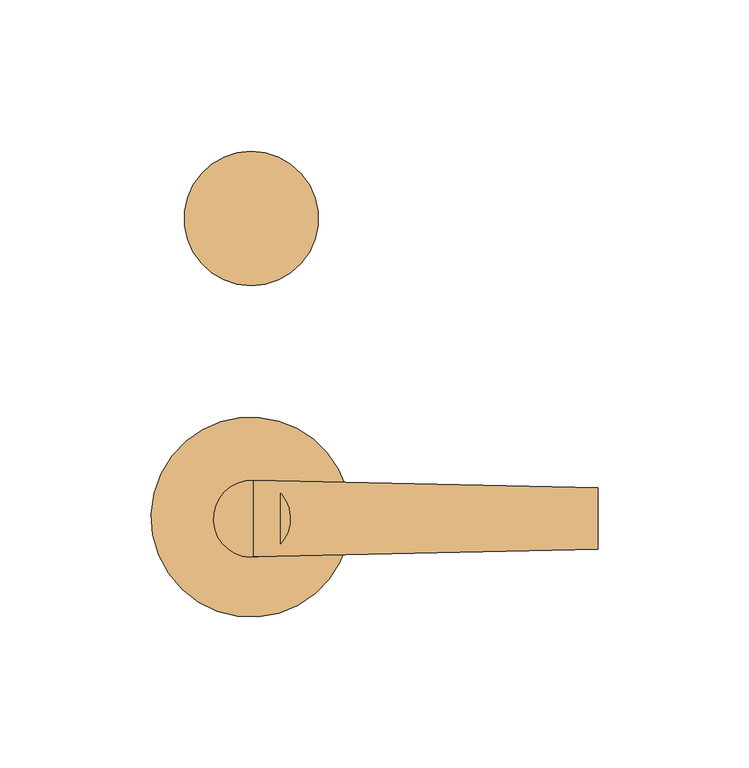
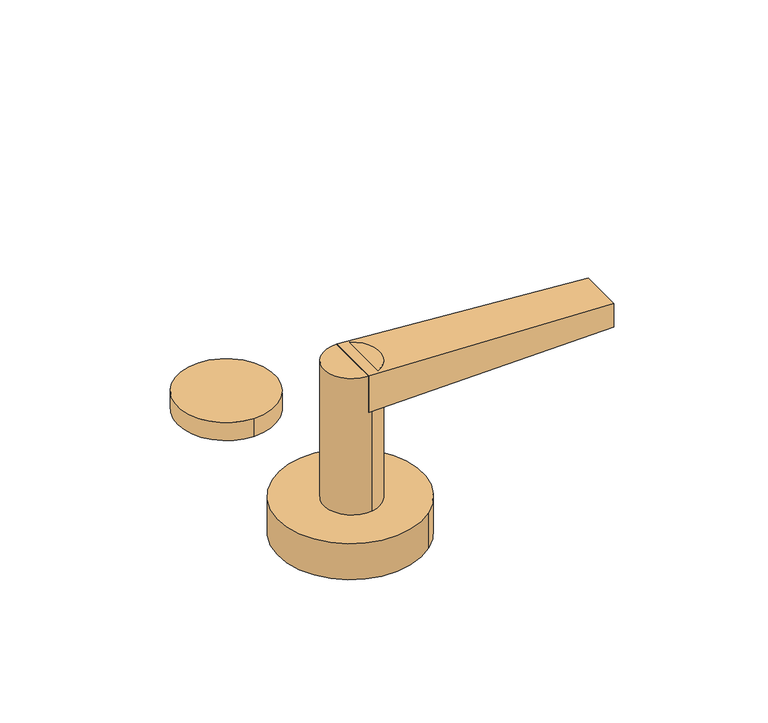
"""IFC4 building model written with IfcOpenShell, lengths in millimetres: door geometry."""

from ifc_helpers import new_model, si_unit, point, frame, frame_2d, origin, origin_with_axes, place, context, project, spatial, circle_curve, trimmed, segment, composite_curve, outline, extrude, source, transform, mapped, element, save
from ifc_brep_helpers import plane_surface, spline_surface, advanced_brep


def door_e5c2c9b1(model_context):
    return source(origin(), model_context, "Body", "SolidModel", [
        extrude(outline(composite_curve([segment(trimmed(circle_curve(frame_2d((-1.5048449, 99.4936932)), 22.212872), [point((-1.5048449, 121.7065651))], [point((-1.5048449, 77.2808212))], False, "CARTESIAN"), True, "CONTINUOUS"), segment(trimmed(circle_curve(frame_2d((-1.5048449, 99.4936932)), 22.212872), [point((-1.5048449, 77.2808212))], [point((-1.5048449, 121.7065651))], False, "CARTESIAN"), True, "CONTINUOUS")], self_intersect=False)), origin_with_axes(), (0.0, 0.0, 1.0), 8.636),
        advanced_brep(
        [(113.0826159, -9.8661661, 77.089), (113.0826159, -9.8661661, 65.659), (113.0826159, 10.4783486, 65.659), (113.0826159, 10.4783486, 77.089), (-0.79375, -12.3783123, 83.439), (-0.79375, 13.0118705, 83.439), (-0.79375, 13.0089229, 65.659), (-0.79375, -12.378509, 65.659)],
        [
            (0, 1),
            (1, 2),
            (2, 3),
            (3, 0),
            (4, 5),
            (5, 6),
            (6, 7),
            (7, 4),
            (7, 1),
            (0, 4),
            (6, 2),
            (5, 3),
        ],
        [
            plane_surface(frame((113.0826159, 0.3060912, 71.374), z_axis=(1.0, 0.0, 0.0), x_axis=(0.0, -1.0, 0.0))),
            plane_surface(frame((-0.79375, 0.315993, 74.549), z_axis=(-1.0000000000000002, 0.0, 0.0), x_axis=(0.0, -1.1064247386625775e-05, -0.9999999999387913))),
            spline_surface(1, 1, [[(-0.79375, -12.3783123, 83.439), (113.0826159, -9.8661661, 77.089)], [(-0.79375, -12.378509, 65.659), (113.0826159, -9.8661661, 65.659)]], [2, 2], [2, 2], [0.0, 1.0], [0.0, 1.0]),
            plane_surface(frame((-0.79375, 0.315207, 65.659), z_axis=(0.0, 0.0, -1.0), x_axis=(0.0, 1.0, 0.0))),
            spline_surface(1, 1, [[(-0.79375, 13.0089229, 65.659), (113.0826159, 10.4783486, 65.659)], [(-0.79375, 13.0118705, 83.439), (113.0826159, 10.4783486, 77.089)]], [2, 2], [2, 2], [0.0, 1.0], [0.0, 1.0]),
            plane_surface(frame((-0.79375, 0.3167791, 83.439), z_axis=(0.05567573642750613, 0.0, 0.9984489032360419), x_axis=(0.0, -1.0, 0.0))),
        ],
        [
            (0, [[1, 2, 3, 4]]),
            (1, [[5, 6, 7, 8]]),
            (2, [[-8, 9, -1, 10]]),
            (3, [[-7, 11, -2, -9]]),
            (4, [[-6, 12, -3, -11]]),
            (5, [[-5, -10, -4, -12]]),
        ],
    ),
        extrude(outline(composite_curve([segment(trimmed(circle_curve(frame_2d((-1.3064074, 0.1984375)), 12.7), [point((-3.427265, 12.7200973))], [point((0.8144502, -12.3232223))], False, "CARTESIAN"), True, "CONTINUOUS"), segment(trimmed(circle_curve(frame_2d((-1.3064074, 0.1984375)), 12.7), [point((0.8144502, -12.3232223))], [point((-3.427265, 12.7200973))], False, "CARTESIAN"), True, "CONTINUOUS")], self_intersect=False)), frame((0.0, 0.0, 17.399), z_axis=(0.0, 0.0, 1.0), x_axis=(1.0, 0.0, 0.0)), (0.0, 0.0, 1.0), 66.04),
        extrude(outline(composite_curve([segment(trimmed(circle_curve(frame_2d((-1.6178614, 0.7745191)), 33.02), [point((-22.9508261, 25.9781898))], [point((19.7151032, -24.4291516))], False, "CARTESIAN"), True, "CONTINUOUS"), segment(trimmed(circle_curve(frame_2d((-1.6178614, 0.7745191)), 33.02), [point((19.7151032, -24.4291516))], [point((-22.9508261, 25.9781898))], False, "CARTESIAN"), True, "CONTINUOUS")], self_intersect=False)), origin_with_axes(), (0.0, 0.0, 1.0), 17.399),
    ])


if __name__ == "__main__":
    model = new_model("IFC4")
    model_context = context("Model", 3, world=origin())
    ifc_project = project(units=[si_unit("LENGTHUNIT", "METRE", prefix="MILLI")], contexts=[model_context])
    site = spatial("IfcSite", under=ifc_project)
    building = spatial("IfcBuilding", under=site)
    placement = place(None, origin())
    door_shape = door_e5c2c9b1(model_context)
    element("IfcDoor", 1, at=placement, inside=building, context=model_context, shape_type="MappedRepresentation", body=[
        mapped(door_shape, transform((0.0, 0.0, 0.0), x_axis=(1.0, 0.0, 0.0), y_axis=(0.0, 1.0, 0.0), z_axis=(0.0, 0.0, 1.0))),
    ])
    save(model, "model.ifc")
